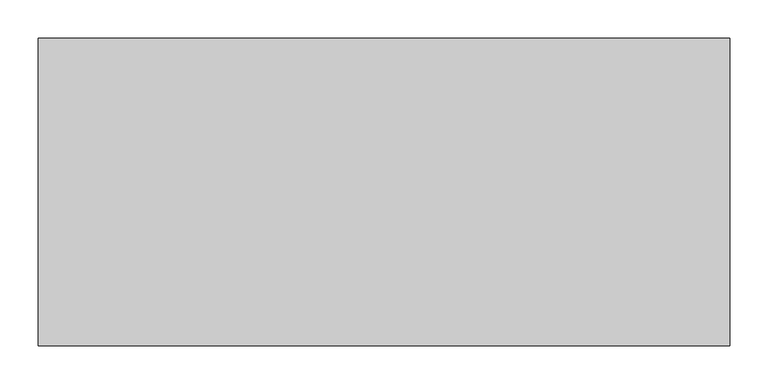
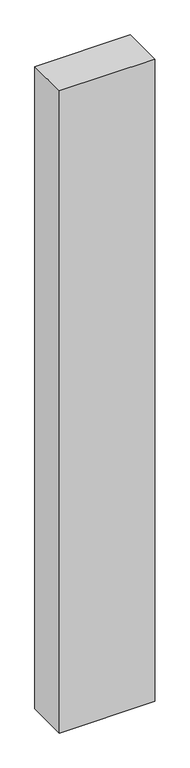
"""IFC4 building model written with IfcOpenShell, lengths in millimetres: proxy geometry."""

from ifc_helpers import new_model, si_unit, origin, origin_with_axes, place, context, project, spatial, polyline, outline, extrude, source, transform, mapped, element, save


def generic_models_648f186b(model_context):
    return source(origin(), model_context, "Body", "SweptSolid", [
        extrude(outline(polyline([(900.0, 400.0), (900.0, 0.0), (0.0, 0.0), (0.0, 400.0), (900.0, 400.0)])), origin_with_axes(), (0.0, 0.0, 1.0), 6400.0),
    ])


if __name__ == "__main__":
    model = new_model("IFC4")
    model_context = context("Model", 3, world=origin())
    ifc_project = project(units=[si_unit("LENGTHUNIT", "METRE", prefix="MILLI")], contexts=[model_context])
    site = spatial("IfcSite", under=ifc_project)
    building = spatial("IfcBuilding", under=site)
    placement = place(None, origin())
    generic_models_shape = generic_models_648f186b(model_context)
    element("IfcBuildingElementProxy", 1, Name="Generic Models", at=placement, inside=building, context=model_context, shape_type="MappedRepresentation", body=[
        mapped(generic_models_shape, transform((0.0, 0.0, 0.0), x_axis=(1.0, 0.0, 0.0), y_axis=(0.0, 1.0, 0.0), z_axis=(0.0, 0.0, 1.0))),
    ])
    save(model, "model.ifc")
